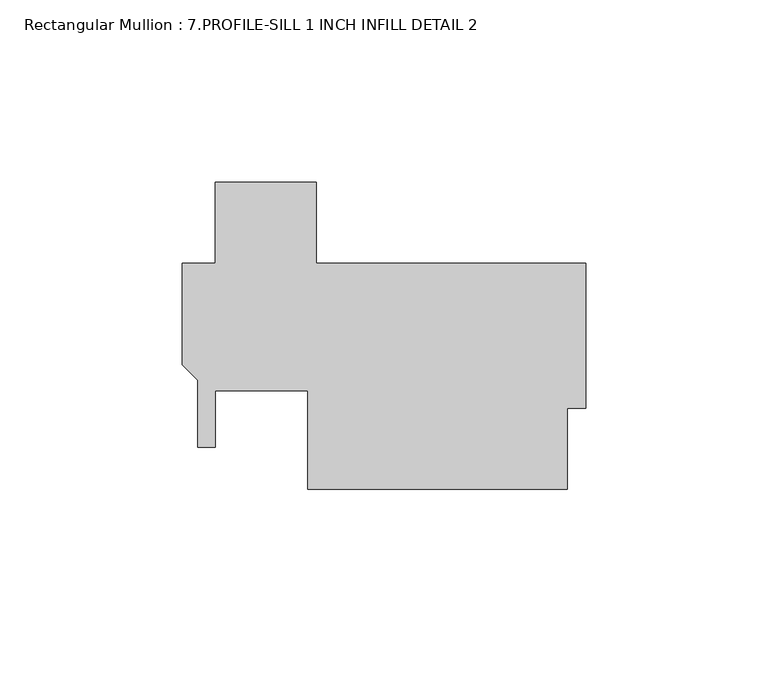
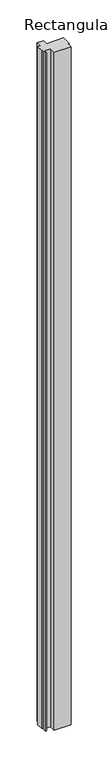
"""IFC4 building model written with IfcOpenShell, lengths in millimetres: member geometry, Rectangular Mullion : 7.PROFILE-SILL 1 INCH INFILL DETAIL 2."""

from ifc_helpers import new_model, si_unit, frame, origin, place, context, project, spatial, polyline, outline, extrude, source, transform, mapped, element, save


def rectangular_mullion_7_profile_sill_1_inch_infill_detail_2_53f8ccf2(model_context):
    return source(origin(), model_context, "Body", "SweptSolid", [
        extrude(outline(polyline([(-76.1999998, -93.6624999), (-76.1999999, -66.6750005), (-101.5999999, -66.675), (-101.5999999, -82.1761495), (-106.299, -82.1761495), (-106.299, -63.7936417), (-110.5662, -59.5264417), (-110.5662, -31.7439892), (-101.6007937, -31.7439892), (-101.6007937, -9.5316892), (-73.9140001, -9.5316892), (-73.9140001, -31.75), (0.0, -31.75), (0.0, -71.4375), (-5.08, -71.4375), (-5.08, -93.6625), (-76.1999998, -93.6624999)])), frame((0.0, 0.0, -3048.0), z_axis=(0.0, 0.0, 1.0), x_axis=(1.0, 0.0, 0.0)), (0.0, 0.0, 1.0), 3048.0),
    ])


if __name__ == "__main__":
    model = new_model("IFC4")
    model_context = context("Model", 3, world=origin())
    ifc_project = project(units=[si_unit("LENGTHUNIT", "METRE", prefix="MILLI")], contexts=[model_context])
    site = spatial("IfcSite", under=ifc_project)
    building = spatial("IfcBuilding", under=site)
    placement = place(None, origin())
    rectangular_mullion_7_profile_sill_1_inch_infill_detail_2_shape = rectangular_mullion_7_profile_sill_1_inch_infill_detail_2_53f8ccf2(model_context)
    element("IfcMember", 1, ObjectType="Rectangular Mullion : 7.PROFILE-SILL 1 INCH INFILL DETAIL 2", at=placement, inside=building, context=model_context, shape_type="MappedRepresentation", body=[
        mapped(rectangular_mullion_7_profile_sill_1_inch_infill_detail_2_shape, transform((0.0, 0.0, 0.0), x_axis=(1.0, 0.0, 0.0), y_axis=(0.0, 1.0, 0.0), z_axis=(0.0, 0.0, 1.0))),
    ])
    save(model, "model.ifc")
